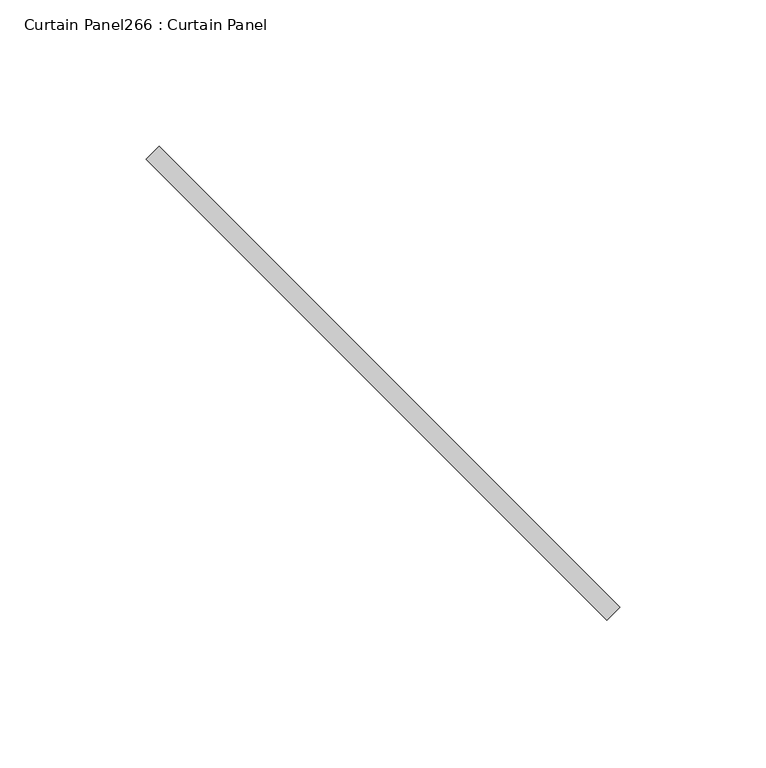
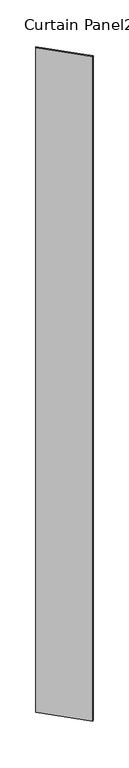
"""IFC4 building model written with IfcOpenShell, lengths in millimetres: plate geometry, Curtain Panel266 : Curtain Panel."""

import ifcopenshell
import ifcopenshell.guid

model = None  # the IFC model being written
_history = None  # IfcOwnerHistory: only IFC2X3 demands one
_inside = {}  # id of a spatial element -> (the spatial element, [elements in it])
_under = {}  # id of a project, library or spatial element -> (it, [spatial elements below it])
_declared = {}  # id of a project -> (the project, [libraries it declares])
_typed = {}  # id of a type object -> (the type object, [elements of that type])
_made_of = {}  # id of a material, layer set ... -> (it, [elements and type objects made of it])


def new_model(schema):
    """Start an empty IFC model of exactly this schema.

    Asked for "IFC4X3", IfcOpenShell would pick the latest addendum, in which some entities
    have other attributes; the version numbers below select the first issue.
    IFC2X3 requires an IfcOwnerHistory on every rooted entity: one is made here for all.
    """
    global model, _history
    if schema == "IFC4X3":
        model = ifcopenshell.file(schema_version=(4, 3, 0, 0))
    else:
        model = ifcopenshell.file(schema=schema)
    _inside.clear()
    _under.clear()
    _declared.clear()
    _typed.clear()
    _made_of.clear()
    _history = None
    if model.schema == "IFC2X3":
        org = make("IfcOrganization", Name="unknown")
        user = make(
            "IfcPersonAndOrganization",
            ThePerson=make("IfcPerson", FamilyName="unknown"),
            TheOrganization=org,
        )
        app = make(
            "IfcApplication",
            ApplicationDeveloper=org,
            Version="unknown",
            ApplicationFullName="unknown",
            ApplicationIdentifier="unknown",
        )
        _history = make(
            "IfcOwnerHistory",
            OwningUser=user,
            OwningApplication=app,
            ChangeAction="ADDED",
            CreationDate=0,
        )
    return model


def make(cls, **values):
    """One entity of the class cls with the attributes given. An attribute that is None is left unset."""
    return model.create_entity(
        cls, **{name: value for name, value in values.items() if value is not None}
    )


def rooted(cls, **values):
    """An entity with a GlobalId (a new one), such as an element, a storey or a relation."""
    return make(cls, GlobalId=ifcopenshell.guid.new(), OwnerHistory=_history, **values)


def si_unit(unit_type, name, prefix=None):
    """IfcSIUnit, for example si_unit("LENGTHUNIT", "METRE", prefix="MILLI")."""
    return make("IfcSIUnit", UnitType=unit_type, Prefix=prefix, Name=name)


def assignment(units):
    """IfcUnitAssignment: the units of a project."""
    return None if units is None else make("IfcUnitAssignment", Units=units)


def point(xyz):
    """IfcCartesianPoint."""
    return None if xyz is None else make("IfcCartesianPoint", Coordinates=xyz)


def direction(xyz):
    """IfcDirection."""
    return None if xyz is None else make("IfcDirection", DirectionRatios=xyz)


def frame(location, z_axis=None, x_axis=None):
    """IfcAxis2Placement3D, a coordinate frame: its origin and axes. An axis left out is left unset."""
    return make(
        "IfcAxis2Placement3D",
        Location=point(location),
        Axis=direction(z_axis),
        RefDirection=direction(x_axis),
    )


def origin():
    """The frame at (0, 0, 0) with its axes left unset."""
    return frame((0.0, 0.0, 0.0))


def place(relative_to, where):
    """IfcLocalPlacement: puts the frame where relative to a parent placement (None: the world)."""
    return make(
        "IfcLocalPlacement", PlacementRelTo=relative_to, RelativePlacement=where
    )


def context(
    kind, dimensions, precision=None, world=None, true_north=None, identifier=None
):
    """IfcGeometricRepresentationContext, for example the 3D "Model" context."""
    return make(
        "IfcGeometricRepresentationContext",
        ContextIdentifier=identifier,
        ContextType=kind,
        CoordinateSpaceDimension=dimensions,
        Precision=precision,
        WorldCoordinateSystem=world,
        TrueNorth=true_north,
    )


def project(units=None, contexts=None):
    """IfcProject with its units and contexts."""
    return rooted(
        "IfcProject",
        Name="project",
        RepresentationContexts=contexts,
        UnitsInContext=assignment(units),
    )


def spatial(cls, under=None, at=None, **own):
    """A site, building, storey or space (cls), placed at a placement, below another one or the project."""
    s = rooted(cls, ObjectPlacement=at, **own)
    if under is not None:
        _under.setdefault(under.id(), (under, []))[1].append(s)
    return s


def polyline(points):
    """IfcPolyline through the points."""
    return make("IfcPolyline", Points=[point(p) for p in points])


def outline(outer, holes=None, kind="AREA"):
    """IfcArbitraryClosedProfileDef: a profile drawn as a closed curve; with holes, ...WithVoids."""
    if holes is None:
        return make("IfcArbitraryClosedProfileDef", ProfileType=kind, OuterCurve=outer)
    return make(
        "IfcArbitraryProfileDefWithVoids",
        ProfileType=kind,
        OuterCurve=outer,
        InnerCurves=holes,
    )


def extrude(swept, where, along, depth):
    """IfcExtrudedAreaSolid: the profile swept, set in the frame where, extruded along a direction by depth."""
    return make(
        "IfcExtrudedAreaSolid",
        SweptArea=swept,
        Position=where,
        ExtrudedDirection=direction(along),
        Depth=depth,
    )


def shape(context_of_items, identifier, shape_type, items):
    """IfcShapeRepresentation: the items that make up one representation, for example the "Body"."""
    return make(
        "IfcShapeRepresentation",
        ContextOfItems=context_of_items,
        RepresentationIdentifier=identifier,
        RepresentationType=shape_type,
        Items=items,
    )


def source(mapping_origin, context_of_items, identifier, shape_type, items):
    """IfcRepresentationMap: a shape defined once, which mapped items show again and again."""
    return make(
        "IfcRepresentationMap",
        MappingOrigin=mapping_origin,
        MappedRepresentation=shape(context_of_items, identifier, shape_type, items),
    )


def transform(
    local_origin,
    x_axis=None,
    y_axis=None,
    z_axis=None,
    scale=None,
    scale2=None,
    scale3=None,
    uniform=True,
):
    """IfcCartesianTransformationOperator3D, or its non-uniform kind. x_axis, y_axis, z_axis: its Axis1, 2, 3."""
    if uniform:
        return make(
            "IfcCartesianTransformationOperator3D",
            Axis1=direction(x_axis),
            Axis2=direction(y_axis),
            LocalOrigin=point(local_origin),
            Scale=scale,
            Axis3=direction(z_axis),
        )
    return make(
        "IfcCartesianTransformationOperator3DnonUniform",
        Axis1=direction(x_axis),
        Axis2=direction(y_axis),
        LocalOrigin=point(local_origin),
        Scale=scale,
        Axis3=direction(z_axis),
        Scale2=scale2,
        Scale3=scale3,
    )


def mapped(mapping_source, mapping_target):
    """IfcMappedItem: shows the shape of a source again, moved by a transform."""
    return make(
        "IfcMappedItem", MappingSource=mapping_source, MappingTarget=mapping_target
    )


def made_of(thing, what):
    """Note that an element or type object is made of a material, layer set ...; save() writes the relation."""
    if what is not None:
        _made_of.setdefault(what.id(), (what, []))[1].append(thing)
    return thing


def element(
    cls,
    number,
    at=None,
    inside=None,
    cuts=None,
    type_object=None,
    material=None,
    context=None,
    identifier="Body",
    shape_type=None,
    held_by="IfcProductDefinitionShape",
    body=None,
    shapes=None,
    **own,
):
    """One element of the class cls, such as IfcWall. Its Tag is "e" and its number.

    at: its placement. inside: the storey or other place that contains it. cuts: it is an
    opening in that element (IfcRelVoidsElement). A single representation is given by context,
    identifier, shape_type and body (its items); several are given by shapes. held_by: the class
    of the entity that holds the representations. save() writes the other relations.
    """
    e = rooted(cls, Tag="e%d" % number, ObjectPlacement=at, **own)
    if body is not None:
        shapes = [shape(context, identifier, shape_type, body)]
    if shapes is not None:
        e.Representation = make(held_by, Representations=shapes)
    if inside is not None:
        _inside.setdefault(inside.id(), (inside, []))[1].append(e)
    if cuts is not None:
        rooted(
            "IfcRelVoidsElement", RelatingBuildingElement=cuts, RelatedOpeningElement=e
        )
    if type_object is not None:
        _typed.setdefault(type_object.id(), (type_object, []))[1].append(e)
    return made_of(e, material)


def aggregate(whole, parts):
    """IfcRelAggregates: a whole, such as a stair, and the parts it consists of."""
    return rooted("IfcRelAggregates", RelatingObject=whole, RelatedObjects=parts)


def save(model, path):
    """Write the relations noted so far, then the file.

    IfcRelAggregates (storeys below a building ...), IfcRelContainedInSpatialStructure (elements
    in a storey), IfcRelDefinesByType, IfcRelAssociatesMaterial and IfcRelDeclares: one each for
    every whole, place, type object, material and project.
    """
    for whole, parts in _under.values():
        aggregate(whole, parts)
    for where, things in _inside.values():
        rooted(
            "IfcRelContainedInSpatialStructure",
            RelatedElements=things,
            RelatingStructure=where,
        )
    for kind, things in _typed.values():
        rooted("IfcRelDefinesByType", RelatedObjects=things, RelatingType=kind)
    for what, things in _made_of.values():
        rooted("IfcRelAssociatesMaterial", RelatedObjects=things, RelatingMaterial=what)
    for by, libraries in _declared.values():
        rooted("IfcRelDeclares", RelatingContext=by, RelatedDefinitions=libraries)
    model.write(path)


def curtain_panel266_curtain_panel_0cc8e958(model_context):
    return source(origin(), model_context, "Body", "SweptSolid", [
        extrude(outline(polyline([(658371.214896, 2042.5097532), (658528.7849666, 1884.9396827), (658524.2948385, 1880.4495546), (658366.7247679, 2038.0196252), (658371.214896, 2042.5097532)])), frame((0.0, 0.0, 4959.7989371), z_axis=(0.0, 0.0, 1.0), x_axis=(1.0, 0.0, 0.0)), (0.0, 0.0, 1.0), 3048.0),
    ])


if __name__ == "__main__":
    model = new_model("IFC4")
    model_context = context("Model", 3, world=origin())
    ifc_project = project(units=[si_unit("LENGTHUNIT", "METRE", prefix="MILLI")], contexts=[model_context])
    site = spatial("IfcSite", under=ifc_project)
    building = spatial("IfcBuilding", under=site)
    placement = place(None, origin())
    curtain_panel266_curtain_panel_shape = curtain_panel266_curtain_panel_0cc8e958(model_context)
    element("IfcPlate", 1, ObjectType="Curtain Panel266 : Curtain Panel", at=placement, inside=building, context=model_context, shape_type="MappedRepresentation", body=[
        mapped(curtain_panel266_curtain_panel_shape, transform((0.0, 0.0, 0.0), x_axis=(1.0, 0.0, 0.0), y_axis=(0.0, 1.0, 0.0), z_axis=(0.0, 0.0, 1.0))),
    ])
    save(model, "model.ifc")
